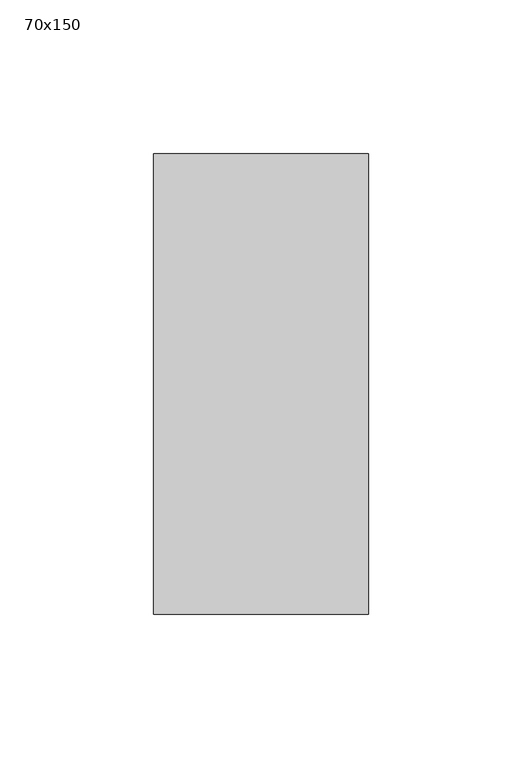
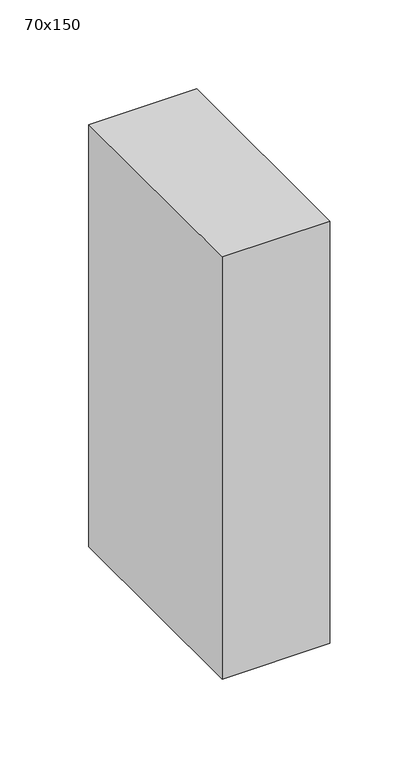
"""IFC4 building model written with IfcOpenShell, lengths in millimetres: member geometry, 70x150."""

from ifc_helpers import new_model, si_unit, frame, origin, place, context, project, spatial, polyline, outline, extrude, source, transform, mapped, element, save


def member_70x150_5d60a7e3(model_context):
    return source(origin(), model_context, "Body", "SweptSolid", [
        extrude(outline(polyline([(0.0, 75.0), (0.0, -75.0), (-70.0, -75.0), (-70.0, 75.0), (0.0, 75.0)])), frame((0.0, 0.0, -290.0), z_axis=(0.0, 0.0, 1.0), x_axis=(1.0, 0.0, 0.0)), (0.0, 0.0, 1.0), 290.0),
    ])


if __name__ == "__main__":
    model = new_model("IFC4")
    model_context = context("Model", 3, world=origin())
    ifc_project = project(units=[si_unit("LENGTHUNIT", "METRE", prefix="MILLI")], contexts=[model_context])
    site = spatial("IfcSite", under=ifc_project)
    building = spatial("IfcBuilding", under=site)
    placement = place(None, origin())
    member_70x150_shape = member_70x150_5d60a7e3(model_context)
    element("IfcMember", 1, ObjectType="70x150", at=placement, inside=building, context=model_context, shape_type="MappedRepresentation", body=[
        mapped(member_70x150_shape, transform((0.0, 0.0, 0.0), x_axis=(1.0, 0.0, 0.0), y_axis=(0.0, 1.0, 0.0), z_axis=(0.0, 0.0, 1.0))),
    ])
    save(model, "model.ifc")
